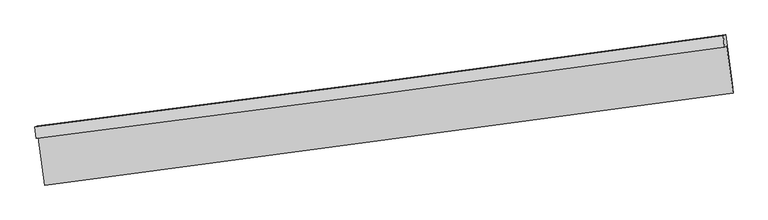
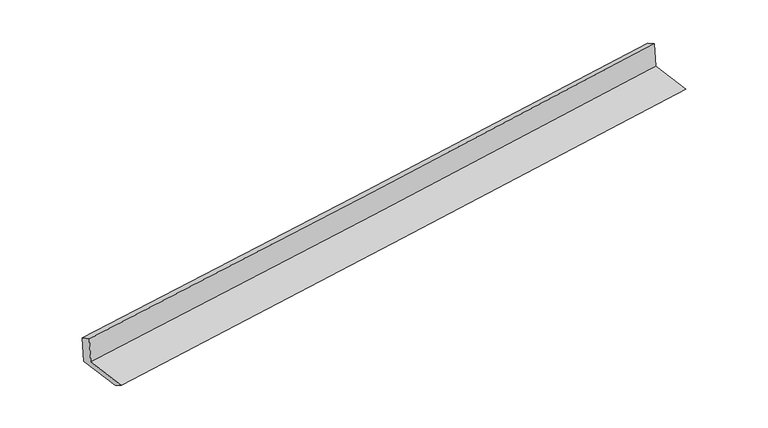
"""IFC4 building model written with IfcOpenShell, lengths in millimetres: proxy geometry."""

from ifc_helpers import new_model, si_unit, frame, origin, place, context, project, spatial, source, transform, mapped, element, save
from ifc_brep_helpers import plane_surface, spline_curve, spline_surface, advanced_brep


def generic_models_33620e9c(model_context):
    return source(origin(), model_context, "Body", "AdvancedBrep", [
        advanced_brep(
        [(-4754.0781943, -2140.9367852, 1894.680543), (-4723.9166563, -2126.588337, 1502.6657006), (4690.967875, -875.8285802, 2262.7887259), (4661.5729573, -889.8123318, 2644.8396689), (-4769.2537057, -1984.6879846, 1820.4609769), (4647.1640661, -733.1988345, 2560.6562035), (-4738.6485771, -1970.1285115, 1422.6807093), (4676.2359542, -719.3687547, 2182.8037346), (-4645.399477, -2645.0454907, 1405.1521), (4768.1168703, -1384.3831116, 2165.5323112), (-4633.6835382, -2779.6762857, 1485.704024), (4779.8328091, -1519.0139066, 2246.0842353)],
        [
            (0, 1),
            (1, 2, spline_curve(3, [(-4723.9166563, -2126.588337, 1502.6657006), (-3157.600467726, -1928.501339977, 1625.414683789), (-1592.083171325, -1725.53618017, 1749.948728718), (1546.220753084, -1308.671706107, 2003.302781401), (3118.998299811, -1094.71694684, 2132.143078241), (4690.967875, -875.8285802, 2262.7887259)], [4, 2, 4], [0.0, 15.585817805187682, 31.25995900113603])),
            (2, 3),
            (3, 0, spline_curve(3, [(4661.5729573, -889.8123318, 2644.8396689), (3089.219711006, -1108.883218589, 2519.180663055), (1516.186623908, -1322.959543448, 2393.661665935), (-1622.371400203, -1739.944897689, 2143.610197703), (-3187.888696605, -1942.910057495, 2019.076152254), (-4754.0781943, -2140.9367852, 1894.680543)], [4, 2, 4], [0.0, 15.674141195948346, 31.25995900113603])),
            (4, 0),
            (3, 5),
            (5, 4, spline_curve(3, [(4647.1640661, -733.1988345, 2560.6562035), (3074.427148942, -952.45224114, 2439.983839399), (1501.138521424, -1166.6501315, 2317.786141946), (-1637.673602573, -1583.756366893, 2071.037258211), (-3203.190899514, -1786.721526378, 1946.503213104), (-4769.2537057, -1984.6879846, 1820.4609769)], [4, 2, 4], [0.0, 15.674175612090426, 31.260027639486097])),
            (6, 4),
            (5, 7),
            (7, 6, spline_curve(3, [(4676.2359542, -719.3687547, 2182.8037346), (3104.266379069, -938.257121648, 2052.158087097), (1531.48883195, -1152.211880342, 1923.317790197), (-1606.815091792, -1569.076354933, 1669.963737323), (-3172.332388622, -1772.041514212, 1545.42969233), (-4738.6485771, -1970.1285115, 1422.6807093)], [4, 2, 4], [0.0, 15.674153713988316, 31.25998396667713])),
            (8, 6),
            (7, 9),
            (9, 8, spline_curve(3, [(4768.1168703, -1384.3831116, 2165.5323112), (3195.002617512, -1594.986544655, 2035.101835467), (1621.769008595, -1805.640429889, 1906.347267568), (-1516.071114682, -2225.861789882, 1652.906031483), (-3080.676288896, -2435.428698114, 1528.200529061), (-4645.399477, -2645.0454907, 1405.1521)], [4, 2, 4], [0.0, 15.674045267297148, 31.259767684389164])),
            (10, 8),
            (9, 11),
            (11, 10, spline_curve(3, [(4779.8328091, -1519.0139066, 2246.0842353), (3206.718555992, -1729.617340002, 2115.653759761), (1633.484947564, -1940.271224826, 1986.899191527), (-1504.355176049, -2360.492584944, 1733.457955723), (-3068.960350075, -2570.059492814, 1608.75245292), (-4633.6835382, -2779.6762857, 1485.704024)], [4, 2, 4], [0.0, 15.674001042822734, 31.25967948464414])),
            (1, 10),
            (11, 2),
        ],
        [
            spline_surface(3, 3, [[(-4754.0781943, -2140.9367852, 1894.680543), (-3187.888696767, -1942.910057663, 2019.076152491), (-1622.371400174, -1739.94489787, 2143.610197556), (1516.186623879, -1322.959543266, 2393.661666083), (3089.219711157, -1108.88321861, 2519.180662968), (4661.5729573, -889.8123318, 2644.8396689)], [(-4744.024348282, -2136.153969135, 1764.00892887), (-3177.792620385, -1938.107151768, 1887.855662852), (-1612.275323792, -1735.141991974, 2012.389707917), (1526.198000217, -1318.196930879, 2263.542037888), (3099.145907464, -1104.161128071, 2390.168134698), (4671.371263224, -885.15108128, 2517.489354544)], [(-4733.970502318, -2131.371153065, 1633.33731473), (-3167.696544056, -1933.304245867, 1756.635173204), (-1602.179247464, -1730.339086073, 1881.169218269), (1536.209376501, -1313.434318487, 2133.422409684), (3109.072103698, -1099.439037494, 2261.155606496), (4681.169569076, -880.48983072, 2390.139040256)], [(-4723.9166563, -2126.588337, 1502.6657006), (-3157.600467674, -1928.501339971, 1625.414683565), (-1592.083171081, -1725.536180178, 1749.948728629), (1546.22075284, -1308.6717061, 2003.30278149), (3118.998300005, -1094.716946955, 2132.143078227), (4690.967875, -875.8285802, 2262.7887259)]], [4, 4], [4, 2, 4], [0.0, 1.2907515832328582], [0.0, 15.585817805187682, 31.25995900113603]),
            spline_surface(3, 3, [[(-4769.2537057, -1984.6879846, 1820.4609769), (-3203.190899259, -1786.721526555, 1946.503212918), (-1637.673602666, -1583.756366762, 2071.037257983), (1501.138521518, -1166.650131632, 2317.786142176), (3074.427148809, -952.452241365, 2439.983839309), (4647.1640661, -733.1988345, 2560.6562035)], [(-4764.195201904, -2036.770918139, 1845.200832273), (-3198.090165099, -1838.784370263, 1970.694192782), (-1632.572868506, -1635.81921047, 2095.228237847), (1506.154555634, -1218.753268849, 2343.077983485), (3079.358002894, -1004.59590043, 2466.382780543), (4651.967029802, -785.403333583, 2588.717358648)], [(-4759.136698096, -2088.853851661, 1869.940687627), (-3192.989430927, -1890.847213955, 1994.885172627), (-1627.472134334, -1687.882054161, 2119.419217691), (1511.170589763, -1270.856406049, 2368.369824774), (3084.288857072, -1056.739559545, 2492.781721734), (4656.769993598, -837.607832717, 2616.778513752)], [(-4754.0781943, -2140.9367852, 1894.680543), (-3187.888696767, -1942.910057663, 2019.076152491), (-1622.371400174, -1739.94489787, 2143.610197556), (1516.186623879, -1322.959543266, 2393.661666083), (3089.219711157, -1108.88321861, 2519.180662968), (4661.5729573, -889.8123318, 2644.8396689)]], [4, 4], [4, 2, 4], [0.0, 0.5697217859271418], [0.0, 15.58585202739567, 31.260027639486097]),
            spline_surface(3, 3, [[(-4738.6485771, -1970.1285115, 1422.6807093), (-3172.332388474, -1772.041514471, 1545.429692265), (-1606.815091881, -1569.076354678, 1669.963737329), (1531.48883204, -1152.2118806, 1923.31779019), (3104.266379205, -938.257121455, 2052.158086927), (4676.2359542, -719.3687547, 2182.8037346)], [(-4748.850286645, -1974.981669208, 1555.274131831), (-3182.618558748, -1776.934851841, 1679.120865813), (-1617.101262155, -1573.969692047, 1803.654910878), (1521.372061854, -1157.024630952, 2054.807240849), (3094.319969082, -942.988828111, 2181.433337737), (4666.545324842, -723.978781319, 2308.754557582)], [(-4759.051996155, -1979.834826892, 1687.867554369), (-3192.904728986, -1781.828189186, 1812.812039369), (-1627.387432393, -1578.863029392, 1937.346084434), (1511.255291703, -1161.83738128, 2186.296691516), (3084.373558932, -947.720534709, 2310.708588499), (4656.854695458, -728.588807881, 2434.705380518)], [(-4769.2537057, -1984.6879846, 1820.4609769), (-3203.190899259, -1786.721526555, 1946.503212918), (-1637.673602666, -1583.756366762, 2071.037257983), (1501.138521518, -1166.650131632, 2317.786142176), (3074.427148809, -952.452241365, 2439.983839309), (4647.1640661, -733.1988345, 2560.6562035)]], [4, 4], [4, 2, 4], [0.0, 1.3096893350410745], [0.0, 15.585830252688814, 31.25998396667713]),
            spline_surface(3, 3, [[(-4645.399477, -2645.0454907, 1405.1521), (-3080.676288864, -2435.428697919, 1528.200529107), (-1516.071114931, -2225.86178989, 1652.906031406), (1621.769008846, -1805.640429881, 1906.347267645), (3195.002617341, -1594.986544854, 2035.101835714), (4768.1168703, -1384.3831116, 2165.5323112)], [(-4676.482510369, -2420.073164307, 1410.994969782), (-3111.228322069, -2214.299636777, 1533.943583508), (-1546.319107246, -2006.933311475, 1658.591933364), (1591.675616578, -1587.830913443, 1912.004108476), (3164.757204629, -1376.076737052, 2040.787252767), (4737.489898266, -1162.711659298, 2171.289452316)], [(-4707.565543731, -2195.100837893, 1416.837839518), (-3141.780355269, -1993.170575613, 1539.686637863), (-1576.567099566, -1788.004833092, 1664.277835372), (1561.582224307, -1370.021397037, 1917.660949358), (3134.511791918, -1157.166929256, 2046.472669873), (4706.862926234, -941.040207002, 2177.046593484)], [(-4738.6485771, -1970.1285115, 1422.6807093), (-3172.332388474, -1772.041514471, 1545.429692265), (-1606.815091881, -1569.076354678, 1669.963737329), (1531.48883204, -1152.2118806, 1923.31779019), (3104.266379205, -938.257121455, 2052.158086927), (4676.2359542, -719.3687547, 2182.8037346)]], [4, 4], [4, 2, 4], [0.0, 2.1704053411662056], [0.0, 15.585722417092017, 31.259767684389164]),
            spline_surface(3, 3, [[(-4633.6835382, -2779.6762857, 1485.704024), (-3068.960350064, -2570.059492919, 1608.752453107), (-1504.355176131, -2360.49258489, 1733.457955506), (1633.484947646, -1940.271224881, 1986.899191745), (3206.718556141, -1729.617339854, 2115.653759814), (4779.8328091, -1519.0139066, 2246.0842353)], [(-4637.588851141, -2734.799354019, 1458.853382638), (-3072.865663005, -2525.182561237, 1581.901811745), (-1508.260489072, -2315.615653208, 1706.607314145), (1629.579634705, -1895.394293199, 1960.048550383), (3202.813243201, -1684.740408172, 2088.803118452), (4775.927496159, -1474.136974919, 2219.233593938)], [(-4641.494164059, -2689.922422381, 1432.002741362), (-3076.770975923, -2480.3056296, 1555.051170469), (-1512.16580199, -2270.738721571, 1679.756672768), (1625.674321787, -1850.517361562, 1933.197909007), (3198.907930282, -1639.863476535, 2061.952477076), (4772.022183241, -1429.260043281, 2192.382952562)], [(-4645.399477, -2645.0454907, 1405.1521), (-3080.676288864, -2435.428697919, 1528.200529107), (-1516.071114931, -2225.86178989, 1652.906031406), (1621.769008846, -1805.640429881, 1906.347267645), (3195.002617341, -1594.986544854, 2035.101835714), (4768.1168703, -1384.3831116, 2165.5323112)]], [4, 4], [4, 2, 4], [0.0, 0.5161599199633421], [0.0, 15.585678441821404, 31.25967948464414]),
            spline_surface(3, 3, [[(-4723.9166563, -2126.588337, 1502.6657006), (-3157.600467674, -1928.501339971, 1625.414683565), (-1592.083171081, -1725.536180178, 1749.948728629), (1546.22075284, -1308.6717061, 2003.30278149), (3118.998300005, -1094.716946955, 2132.143078227), (4690.967875, -875.8285802, 2262.7887259)], [(-4693.83895026, -2344.284319892, 1497.011808406), (-3128.053761797, -2142.354057612, 1619.860606751), (-1562.840506094, -1937.188315091, 1744.45180426), (1575.308817779, -1519.204879036, 1997.834918246), (3148.238385389, -1306.350411255, 2126.646638761), (4720.589519705, -1090.223689001, 2257.220562372)], [(-4663.76124424, -2561.980302808, 1491.357916194), (-3098.507055941, -2356.206775278, 1614.30652992), (-1533.597841118, -2148.840449976, 1738.954879876), (1604.396882707, -1729.738051944, 1992.367054988), (3177.478470757, -1517.983875553, 2121.15019928), (4750.211164395, -1304.618797799, 2251.652398828)], [(-4633.6835382, -2779.6762857, 1485.704024), (-3068.960350064, -2570.059492919, 1608.752453107), (-1504.355176131, -2360.49258489, 1733.457955506), (1633.484947646, -1940.271224881, 1986.899191745), (3206.718556141, -1729.617339854, 2115.653759814), (4779.8328091, -1519.0139066, 2246.0842353)]], [4, 4], [4, 2, 4], [0.0, 2.098083533702829], [0.0, 15.585722417092022, 31.259767684389175]),
            plane_surface(frame((4703.9817554, -1020.2675866, 2343.7841466), z_axis=(0.9876252622988811, 0.13435283679127705, 0.08090523169240979), x_axis=(-0.13681840051111102, 0.9902622273429832, 0.02571859987042448))),
            plane_surface(frame((-4710.8300248, -2274.5105658, 1588.5573423), z_axis=(-0.9876252622988803, -0.1343528367912857, -0.08090523169240897), x_axis=(-0.07666202808853347, -0.03646966333612435, 0.9963899322582012))),
        ],
        [
            (0, [[1, 2, 3, 4]]),
            (1, [[5, -4, 6, 7]]),
            (2, [[8, -7, 9, 10]]),
            (3, [[11, -10, 12, 13]]),
            (4, [[14, -13, 15, 16]]),
            (5, [[17, -16, 18, -2]]),
            (6, [[-12, -9, -6, -3, -18, -15]]),
            (7, [[-1, -5, -8, -11, -14, -17]]),
        ],
    ),
    ])


if __name__ == "__main__":
    model = new_model("IFC4")
    model_context = context("Model", 3, world=origin())
    ifc_project = project(units=[si_unit("LENGTHUNIT", "METRE", prefix="MILLI")], contexts=[model_context])
    site = spatial("IfcSite", under=ifc_project)
    building = spatial("IfcBuilding", under=site)
    placement = place(None, origin())
    generic_models_shape = generic_models_33620e9c(model_context)
    element("IfcBuildingElementProxy", 1, Name="Generic Models", at=placement, inside=building, context=model_context, shape_type="MappedRepresentation", body=[
        mapped(generic_models_shape, transform((0.0, 0.0, 0.0), x_axis=(1.0, 0.0, 0.0), y_axis=(0.0, 1.0, 0.0), z_axis=(0.0, 0.0, 1.0))),
    ])
    save(model, "model.ifc")
